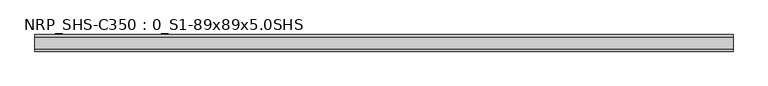
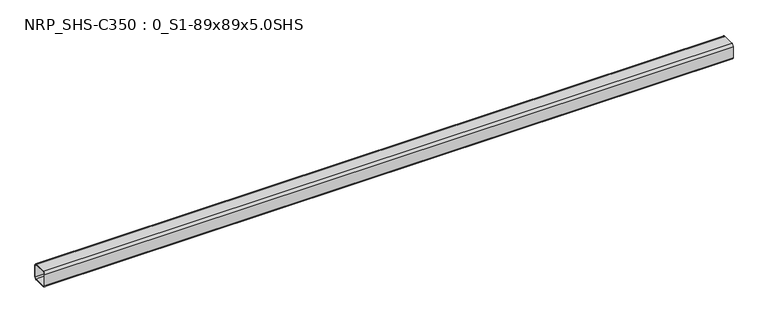
"""IFC4 building model written with IfcOpenShell, lengths in millimetres: beam geometry, NRP_SHS-C350 : 0_S1-89x89x5.0SHS."""

from ifc_helpers import new_model, si_unit, point, frame, frame_2d, origin, place, context, project, spatial, polyline, circle_curve, trimmed, segment, composite_curve, outline, extrude, source, transform, mapped, element, save


def nrp_shs_c350_0_s1_89x89x5_0shs_749e2724(model_context):
    return source(origin(), model_context, "Body", "SweptSolid", [
        extrude(outline(composite_curve([segment(polyline([(44.5, 32.0), (44.5, -32.0)]), True, "CONTINUOUS"), segment(trimmed(circle_curve(frame_2d((32.0, -32.0)), 12.5), [point((44.5, -32.0))], [point((32.0, -44.5))], False, "CARTESIAN"), True, "CONTINUOUS"), segment(polyline([(32.0, -44.5), (-32.0, -44.5)]), True, "CONTINUOUS"), segment(trimmed(circle_curve(frame_2d((-32.0, -32.0)), 12.5), [point((-32.0, -44.5))], [point((-44.5, -32.0))], False, "CARTESIAN"), True, "CONTINUOUS"), segment(polyline([(-44.5, -32.0), (-44.5, 32.0)]), True, "CONTINUOUS"), segment(trimmed(circle_curve(frame_2d((-32.0, 32.0)), 12.5), [point((-44.5, 32.0))], [point((-32.0, 44.5))], False, "CARTESIAN"), True, "CONTINUOUS"), segment(polyline([(-32.0, 44.5), (32.0, 44.5)]), True, "CONTINUOUS"), segment(trimmed(circle_curve(frame_2d((32.0, 32.0)), 12.5), [point((32.0, 44.5))], [point((44.5, 32.0))], False, "CARTESIAN"), True, "CONTINUOUS")], self_intersect=False), holes=[composite_curve([segment(trimmed(circle_curve(frame_2d((-32.0, 32.0)), 7.5), [point((-32.0, 39.5))], [point((-39.5, 32.0))], True, "CARTESIAN"), True, "CONTINUOUS"), segment(polyline([(-39.5, 32.0), (-39.5, -32.0)]), True, "CONTINUOUS"), segment(trimmed(circle_curve(frame_2d((-32.0, -32.0)), 7.5), [point((-39.5, -32.0))], [point((-32.0, -39.5))], True, "CARTESIAN"), True, "CONTINUOUS"), segment(polyline([(-32.0, -39.5), (32.0, -39.5)]), True, "CONTINUOUS"), segment(trimmed(circle_curve(frame_2d((32.0, -32.0)), 7.5), [point((32.0, -39.5))], [point((39.5, -32.0))], True, "CARTESIAN"), True, "CONTINUOUS"), segment(polyline([(39.5, -32.0), (39.5, 32.0)]), True, "CONTINUOUS"), segment(trimmed(circle_curve(frame_2d((32.0, 32.0)), 7.5), [point((39.5, 32.0))], [point((32.0, 39.5))], True, "CARTESIAN"), True, "CONTINUOUS"), segment(polyline([(32.0, 39.5), (-32.0, 39.5)]), True, "CONTINUOUS")], self_intersect=False)]), frame((-1807.5, 0.0, 0.0), z_axis=(1.0, 0.0, 0.0), x_axis=(0.0, 1.0, 0.0)), (0.0, 0.0, 1.0), 3732.0),
    ])


if __name__ == "__main__":
    model = new_model("IFC4")
    model_context = context("Model", 3, world=origin())
    ifc_project = project(units=[si_unit("LENGTHUNIT", "METRE", prefix="MILLI")], contexts=[model_context])
    site = spatial("IfcSite", under=ifc_project)
    building = spatial("IfcBuilding", under=site)
    placement = place(None, origin())
    nrp_shs_c350_0_s1_89x89x5_0shs_shape = nrp_shs_c350_0_s1_89x89x5_0shs_749e2724(model_context)
    element("IfcBeam", 1, ObjectType="NRP_SHS-C350 : 0_S1-89x89x5.0SHS", at=placement, inside=building, context=model_context, shape_type="MappedRepresentation", body=[
        mapped(nrp_shs_c350_0_s1_89x89x5_0shs_shape, transform((0.0, 0.0, 0.0), x_axis=(1.0, 0.0, 0.0), y_axis=(0.0, 1.0, 0.0), z_axis=(0.0, 0.0, 1.0))),
    ])
    save(model, "model.ifc")
